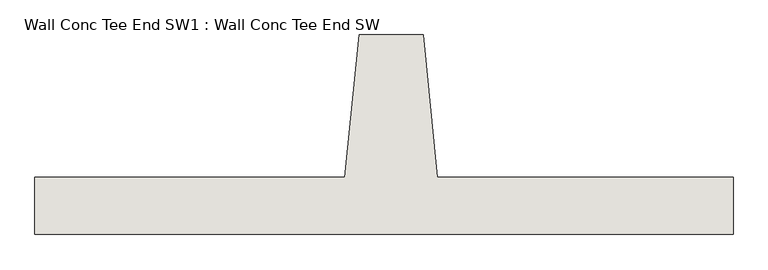
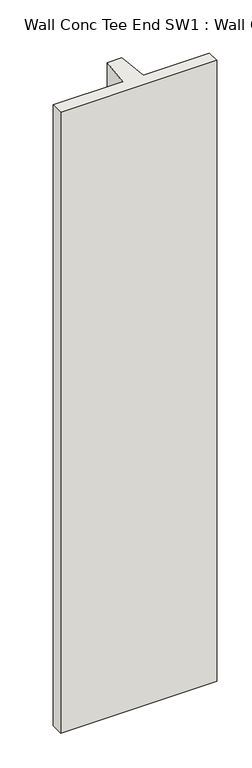
"""IFC4 building model written with IfcOpenShell, lengths in millimetres: wall geometry, Wall Conc Tee End SW1 : Wall Conc Tee End SW."""

from ifc_helpers import new_model, si_unit, frame, origin, place, context, project, spatial, polyline, outline, extrude, source, transform, mapped, element, save


def wall_conc_tee_end_sw1_wall_conc_tee_end_sw_05d710c9(model_context):
    return source(origin(), model_context, "Body", "SweptSolid", [
        extrude(outline(polyline([(205296.2728488, 180988.4596581), (205296.2728488, 180886.8596581), (204051.6728488, 180886.8596581), (204051.6728488, 180988.4596581), (204604.1228488, 180988.4596581), (204629.5228488, 181242.4596581), (204743.8228488, 181242.4596581), (204769.2228488, 180988.4596581), (205296.2728488, 180988.4596581)])), frame((0.0, 0.0, 143.7592564), z_axis=(0.0, 0.0, 1.0), x_axis=(1.0, 0.0, 0.0)), (0.0, 0.0, 1.0), 5232.4087123),
    ])


if __name__ == "__main__":
    model = new_model("IFC4")
    model_context = context("Model", 3, world=origin())
    ifc_project = project(units=[si_unit("LENGTHUNIT", "METRE", prefix="MILLI")], contexts=[model_context])
    site = spatial("IfcSite", under=ifc_project)
    building = spatial("IfcBuilding", under=site)
    placement = place(None, origin())
    wall_conc_tee_end_sw1_wall_conc_tee_end_sw_shape = wall_conc_tee_end_sw1_wall_conc_tee_end_sw_05d710c9(model_context)
    element("IfcWall", 1, ObjectType="Wall Conc Tee End SW1 : Wall Conc Tee End SW", at=placement, inside=building, context=model_context, shape_type="MappedRepresentation", body=[
        mapped(wall_conc_tee_end_sw1_wall_conc_tee_end_sw_shape, transform((0.0, 0.0, 0.0), x_axis=(1.0, 0.0, 0.0), y_axis=(0.0, 1.0, 0.0), z_axis=(0.0, 0.0, 1.0))),
    ])
    save(model, "model.ifc")
